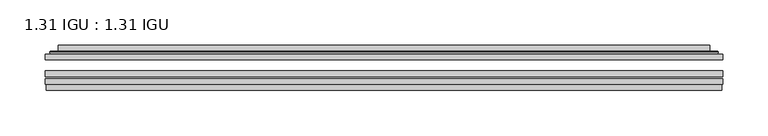
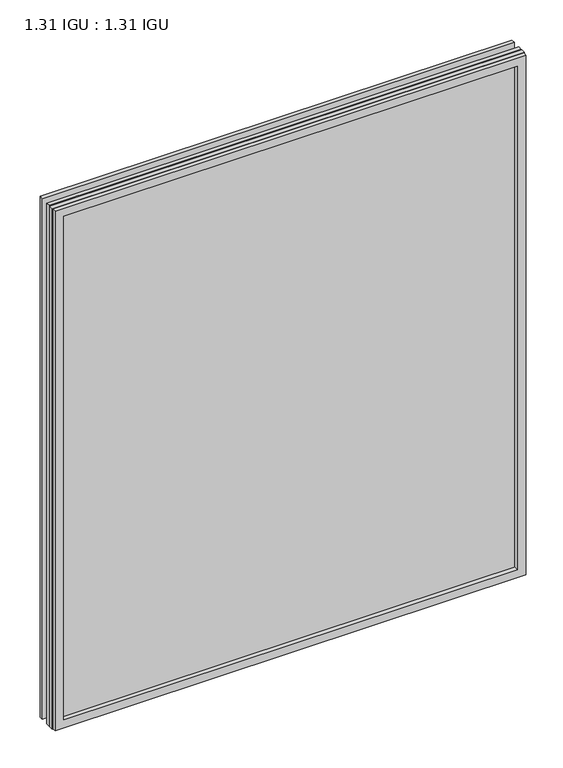
"""IFC4 building model written with IfcOpenShell, lengths in millimetres: plate geometry, 1.31 IGU : 1.31 IGU."""

from ifc_helpers import new_model, si_unit, frame, origin, place, context, project, spatial, polyline, ellipse_curve, outline, extrude, faceted_brep, source, transform, mapped, element, save
from ifc_brep_helpers import plane_surface, cylinder_surface, advanced_brep


def plate_1_31_igu_1_31_igu_468dc938(model_context):
    return source(origin(), model_context, "Body", "SolidModel", [
        extrude(outline(polyline([(373.2064531, -63.59525), (373.2064531, -69.94525), (-373.1922781, -69.94525), (-373.1922781, -63.59525), (373.2064531, -63.59525)])), frame((0.0, 0.0, -14.2875), z_axis=(0.0, 0.0, 1.0), x_axis=(1.0, 0.0, 0.0)), (0.0, 0.0, 1.0), 869.9537979),
        extrude(outline(polyline([(-373.1922781, -78.58125), (-373.1922781, -72.230745), (373.2064531, -72.230745), (373.2064531, -78.58125), (-373.1922781, -78.58125)])), frame((0.0, 0.0, -14.2875), z_axis=(0.0, 0.0, 1.0), x_axis=(1.0, 0.0, 0.0)), (0.0, 0.0, 1.0), 869.9537979),
        extrude(outline(polyline([(373.2064531, -45.25645), (373.2064531, -51.60645), (-373.1922781, -51.60645), (-373.1922781, -45.25645), (373.2064531, -45.25645)])), frame((0.0, 0.0, -14.2875), z_axis=(0.0, 0.0, 1.0), x_axis=(1.0, 0.0, 0.0)), (0.0, 0.0, 1.0), 869.9537979),
        faceted_brep([(-372.4920924, -84.93125, 854.9623142), (-372.4920924, -78.58125, 854.9623142), (-372.4920924, -78.58125, -13.5873142), (-372.4920924, -84.93125, -13.5873142), (372.4920924, -78.58125, -13.5873142), (372.4920924, -84.93125, -13.5873142), (372.4920924, -78.58125, 854.9623142), (372.4920924, -84.93125, 854.9623142), (-358.007034, -78.58125, 0.8977441), (358.007034, -78.58125, 0.8977441), (358.007034, -78.58125, 840.4772559), (-358.007034, -78.58125, 840.4772559), (-358.8994683, -84.93125, 841.3696902), (358.8994683, -84.93125, 841.3696902), (358.8994683, -84.93125, 0.0053098), (-358.8994683, -84.93125, 0.0053098)], [[[0, 1, 2, 3]], [[3, 2, 4, 5]], [[5, 4, 6, 7]], [[1, 6, 4, 2], [8, 9, 10, 11]], [[7, 6, 1, 0]], [[3, 5, 7, 0], [12, 13, 14, 15]], [[11, 12, 15, 8]], [[8, 15, 14, 9]], [[9, 14, 13, 10]], [[10, 13, 12, 11]]]),
        advanced_brep(
        [(-365.9509972, -45.25645, 848.421219), (-368.3052025, -43.2667833, 850.7754244), (-368.3052025, -43.2667833, -9.4004244), (-365.9509972, -45.25645, -7.046219), (-356.876672, -41.416413, 839.3468939), (-351.9418402, -45.25645, 834.4120621), (-351.9418402, -45.25645, 6.9629379), (-356.876672, -41.416413, 2.0281061), (-357.9086998, -36.0191819, 840.3789217), (-357.9086998, -36.0191819, 0.9960783), (-358.8993566, -35.6202069, 841.3695784), (-358.8993566, -35.6202069, 0.0054216), (-358.8993566, -42.08145, 841.3695784), (-358.8993566, -42.08145, 0.0054216), (-367.303413, -42.08145, 849.7736349), (-367.303413, -42.08145, -8.3986349), (368.3052025, -43.2667833, -9.4004244), (365.9509972, -45.25645, -7.046219), (351.9418402, -45.25645, 6.9629379), (356.876672, -41.416413, 2.0281061), (357.9086998, -36.0191819, 0.9960783), (358.8993566, -35.6202069, 0.0054216), (358.8993566, -42.08145, 0.0054216), (367.303413, -42.08145, -8.3986349), (368.3052025, -43.2667833, 850.7754244), (365.9509972, -45.25645, 848.421219), (351.9418402, -45.25645, 834.4120621), (356.876672, -41.416413, 839.3468939), (357.9086998, -36.0191819, 840.3789217), (358.8993566, -35.6202069, 841.3695784), (358.8993566, -42.08145, 841.3695784), (367.303413, -42.08145, 849.7736349)],
        [
            (0, 1, ellipse_curve(frame((-365.9509972, -42.86885, 848.421219), z_axis=(-0.7071067811865475, 0.0, -0.7071067811865475), x_axis=(-0.7071067811865474, 0.0, 0.7071067811865476)), 3.3765763, 2.3876)),
            (1, 2),
            (2, 3, ellipse_curve(frame((-365.9509972, -42.86885, -7.046219), z_axis=(-0.7071067811865475, 0.0, 0.7071067811865475), x_axis=(0.7071067811865474, 0.0, 0.7071067811865476)), 3.3765763, 2.3876)),
            (3, 0),
            (4, 5),
            (5, 6),
            (6, 7),
            (7, 4),
            (8, 4),
            (7, 9),
            (9, 8),
            (10, 8, ellipse_curve(frame((-358.5324, -36.1384423, 841.0026219), z_axis=(-0.7071067811865475, 0.0, -0.7071067811865475), x_axis=(-0.7071067811865474, 0.0, 0.7071067811865476)), 0.8980256, 0.635)),
            (9, 11, ellipse_curve(frame((-358.5324, -36.1384423, 0.3723781), z_axis=(-0.7071067811865475, 0.0, 0.7071067811865475), x_axis=(0.7071067811865474, 0.0, 0.7071067811865476)), 0.8980256, 0.635)),
            (11, 10),
            (12, 10),
            (11, 13),
            (13, 12),
            (1, 14, ellipse_curve(frame((-367.303413, -43.09745, 849.7736349), z_axis=(-0.7071067811865475, 0.0, -0.7071067811865475), x_axis=(-0.7071067811865474, 0.0, 0.7071067811865476)), 1.436841, 1.016)),
            (14, 15),
            (15, 2, ellipse_curve(frame((-367.303413, -43.09745, -8.3986349), z_axis=(-0.7071067811865475, 0.0, 0.7071067811865475), x_axis=(0.7071067811865474, 0.0, 0.7071067811865476)), 1.436841, 1.016)),
            (2, 16),
            (16, 17, ellipse_curve(frame((365.9509972, -42.86885, -7.046219), z_axis=(-0.7071067811865475, 0.0, -0.7071067811865475), x_axis=(-0.7071067811865476, 0.0, 0.7071067811865474)), 3.3765763, 2.3876)),
            (17, 3),
            (6, 18),
            (18, 19),
            (19, 7),
            (19, 20),
            (20, 9),
            (20, 21, ellipse_curve(frame((358.5324, -36.1384423, 0.3723781), z_axis=(-0.7071067811865475, 0.0, -0.7071067811865475), x_axis=(-0.7071067811865476, 0.0, 0.7071067811865474)), 0.8980256, 0.635)),
            (21, 11),
            (21, 22),
            (22, 13),
            (15, 23),
            (23, 16, ellipse_curve(frame((367.303413, -43.09745, -8.3986349), z_axis=(-0.7071067811865475, 0.0, -0.7071067811865475), x_axis=(-0.7071067811865476, 0.0, 0.7071067811865474)), 1.436841, 1.016)),
            (16, 24),
            (24, 25, ellipse_curve(frame((365.9509972, -42.86885, 848.421219), z_axis=(0.7071067811865475, 0.0, -0.7071067811865475), x_axis=(-0.7071067811865474, 0.0, -0.7071067811865476)), 3.3765763, 2.3876)),
            (25, 17),
            (18, 26),
            (26, 27),
            (27, 19),
            (27, 28),
            (28, 20),
            (28, 29, ellipse_curve(frame((358.5324, -36.1384423, 841.0026219), z_axis=(0.7071067811865475, 0.0, -0.7071067811865475), x_axis=(-0.7071067811865474, 0.0, -0.7071067811865476)), 0.8980256, 0.635)),
            (29, 21),
            (29, 30),
            (30, 22),
            (23, 31),
            (31, 24, ellipse_curve(frame((367.303413, -43.09745, 849.7736349), z_axis=(0.7071067811865475, 0.0, -0.7071067811865475), x_axis=(-0.7071067811865474, 0.0, -0.7071067811865476)), 1.436841, 1.016)),
            (24, 1),
            (0, 25),
            (5, 26),
            (4, 27),
            (8, 28),
            (10, 29),
            (12, 30),
            (14, 31),
        ],
        [
            cylinder_surface(frame((-365.9509972, -42.86885, 873.125), z_axis=(0.0, 0.0, 1.0), x_axis=(-1.0, 0.0, 0.0)), 2.3876),
            plane_surface(frame((-351.9418402, -45.25645, 834.4120621), z_axis=(0.6141233906514794, 0.7892100234124821, 0.0), x_axis=(0.0, 0.0, -1.0))),
            plane_surface(frame((-356.876672, -41.416413, 839.3468939), z_axis=(0.9822050625507729, 0.18781164793386074, 0.0), x_axis=(0.0, 0.0, -1.0))),
            cylinder_surface(frame((-358.5324, -36.1384423, 873.125), z_axis=(0.0, 0.0, 1.0), x_axis=(-1.0, 0.0, 0.0)), 0.635),
            plane_surface(frame((-358.8993566, -35.6202069, 841.3695784), z_axis=(-1.0, 0.0, 0.0), x_axis=(0.0, 0.0, -1.0))),
            cylinder_surface(frame((-367.303413, -43.09745, 873.125), z_axis=(0.0, 0.0, 1.0), x_axis=(-1.0, 0.0, 0.0)), 1.016),
            cylinder_surface(frame((-390.6547781, -42.86885, -7.046219), z_axis=(-1.0, 0.0, 0.0), x_axis=(0.0, 0.0, -1.0)), 2.3876),
            plane_surface(frame((-351.9418402, -45.25645, 6.9629379), z_axis=(0.0, 0.7892100234124841, 0.6141233906514768), x_axis=(1.0, 0.0, 0.0))),
            plane_surface(frame((-356.876672, -41.416413, 2.0281061), z_axis=(0.0, 0.18781164793386393, 0.9822050625507723), x_axis=(1.0, 0.0, 0.0))),
            cylinder_surface(frame((-390.6547781, -36.1384423, 0.3723781), z_axis=(-1.0, 0.0, 0.0), x_axis=(0.0, 0.0, -1.0)), 0.635),
            plane_surface(frame((-358.8993566, -35.6202069, 0.0054216), z_axis=(0.0, 0.0, -1.0), x_axis=(1.0, 0.0, 0.0))),
            cylinder_surface(frame((-390.6547781, -43.09745, -8.3986349), z_axis=(-1.0, 0.0, 0.0), x_axis=(0.0, 0.0, -1.0)), 1.016),
            cylinder_surface(frame((365.9509972, -42.86885, -31.75), z_axis=(0.0, 0.0, -1.0), x_axis=(1.0, 0.0, 0.0)), 2.3876),
            plane_surface(frame((351.9418402, -45.25645, 6.9629379), z_axis=(-0.6141233906514743, 0.7892100234124861, 0.0), x_axis=(0.0, 0.0, 1.0))),
            plane_surface(frame((356.876672, -41.416413, 2.0281061), z_axis=(-0.9822050625507718, 0.18781164793386712, 0.0), x_axis=(0.0, 0.0, 1.0))),
            cylinder_surface(frame((358.5324, -36.1384423, -31.75), z_axis=(0.0, 0.0, -1.0), x_axis=(1.0, 0.0, 0.0)), 0.635),
            plane_surface(frame((358.8993566, -35.6202069, 0.0054216), z_axis=(1.0, 0.0, 0.0), x_axis=(0.0, 0.0, 1.0))),
            cylinder_surface(frame((367.303413, -43.09745, -31.75), z_axis=(0.0, 0.0, -1.0), x_axis=(1.0, 0.0, 0.0)), 1.016),
            cylinder_surface(frame((390.6547781, -42.86885, 848.421219), z_axis=(1.0, 0.0, 0.0), x_axis=(0.0, 0.0, 1.0)), 2.3876),
            plane_surface(frame((365.9509972, -45.25645, 848.421219), z_axis=(0.0, -1.0, 0.0), x_axis=(-1.0, 0.0, 0.0))),
            plane_surface(frame((351.9418402, -45.25645, 834.4120621), z_axis=(0.0, 0.7892100234124841, -0.6141233906514768), x_axis=(-1.0, 0.0, 0.0))),
            plane_surface(frame((356.876672, -41.416413, 839.3468939), z_axis=(0.0, 0.18781164793386393, -0.9822050625507723), x_axis=(-1.0, 0.0, 0.0))),
            cylinder_surface(frame((390.6547781, -36.1384423, 841.0026219), z_axis=(1.0, 0.0, 0.0), x_axis=(0.0, 0.0, 1.0)), 0.635),
            plane_surface(frame((358.8993566, -35.6202069, 841.3695784), z_axis=(0.0, 0.0, 1.0), x_axis=(-1.0, 0.0, 0.0))),
            plane_surface(frame((358.8993566, -42.08145, 841.3695784), z_axis=(0.0, 1.0, 0.0), x_axis=(-1.0, 0.0, 0.0))),
            cylinder_surface(frame((390.6547781, -43.09745, 849.7736349), z_axis=(1.0, 0.0, 0.0), x_axis=(0.0, 0.0, 1.0)), 1.016),
        ],
        [
            (0, [[1, 2, 3, 4]]),
            (1, [[5, 6, 7, 8]]),
            (2, [[9, -8, 10, 11]]),
            (3, [[12, -11, 13, 14]]),
            (4, [[15, -14, 16, 17]]),
            (5, [[18, 19, 20, -2]]),
            (6, [[-3, 21, 22, 23]]),
            (7, [[-7, 24, 25, 26]]),
            (8, [[-10, -26, 27, 28]]),
            (9, [[-13, -28, 29, 30]]),
            (10, [[-16, -30, 31, 32]]),
            (11, [[-20, 33, 34, -21]]),
            (12, [[-22, 35, 36, 37]]),
            (13, [[-25, 38, 39, 40]]),
            (14, [[-27, -40, 41, 42]]),
            (15, [[-29, -42, 43, 44]]),
            (16, [[-31, -44, 45, 46]]),
            (17, [[-34, 47, 48, -35]]),
            (18, [[-36, 49, -1, 50]]),
            (19, [[-23, -37, -50, -4], [51, -38, -24, -6]]),
            (20, [[-39, -51, -5, 52]]),
            (21, [[-41, -52, -9, 53]]),
            (22, [[-43, -53, -12, 54]]),
            (23, [[-45, -54, -15, 55]]),
            (24, [[56, -47, -33, -19], [-32, -46, -55, -17]]),
            (25, [[-48, -56, -18, -49]]),
        ],
    ),
    ])


if __name__ == "__main__":
    model = new_model("IFC4")
    model_context = context("Model", 3, world=origin())
    ifc_project = project(units=[si_unit("LENGTHUNIT", "METRE", prefix="MILLI")], contexts=[model_context])
    site = spatial("IfcSite", under=ifc_project)
    building = spatial("IfcBuilding", under=site)
    placement = place(None, origin())
    plate_1_31_igu_1_31_igu_shape = plate_1_31_igu_1_31_igu_468dc938(model_context)
    element("IfcPlate", 1, ObjectType="1.31 IGU : 1.31 IGU", at=placement, inside=building, context=model_context, shape_type="MappedRepresentation", body=[
        mapped(plate_1_31_igu_1_31_igu_shape, transform((0.0, 0.0, 0.0), x_axis=(1.0, 0.0, 0.0), y_axis=(0.0, 1.0, 0.0), z_axis=(0.0, 0.0, 1.0))),
    ])
    save(model, "model.ifc")
